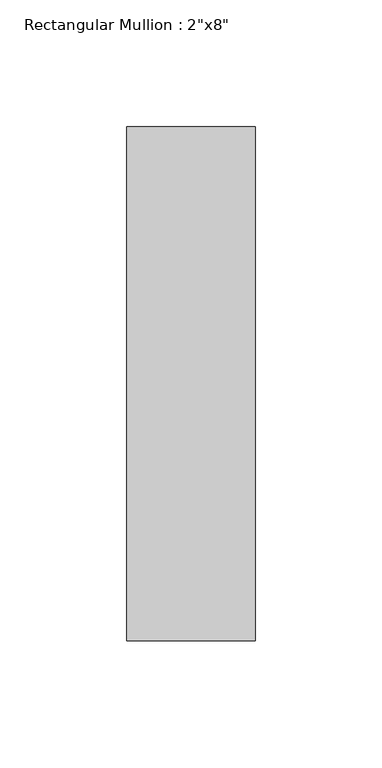
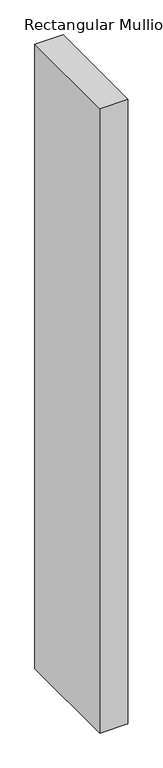
"""IFC4 building model written with IfcOpenShell, lengths in millimetres: member geometry."""

from ifc_helpers import new_model, si_unit, frame, origin, place, context, project, spatial, polyline, outline, extrude, source, transform, mapped, element, save


def member_c64fba01(model_context):
    return source(origin(), model_context, "Body", "SweptSolid", [
        extrude(outline(polyline([(0.0, 101.6), (0.0, -101.6), (-50.8, -101.6), (-50.8, 101.6), (0.0, 101.6)])), frame((0.0, 0.0, -1193.8), z_axis=(0.0, 0.0, 1.0), x_axis=(1.0, 0.0, 0.0)), (0.0, 0.0, 1.0), 1193.8),
    ])


if __name__ == "__main__":
    model = new_model("IFC4")
    model_context = context("Model", 3, world=origin())
    ifc_project = project(units=[si_unit("LENGTHUNIT", "METRE", prefix="MILLI")], contexts=[model_context])
    site = spatial("IfcSite", under=ifc_project)
    building = spatial("IfcBuilding", under=site)
    placement = place(None, origin())
    member_shape = member_c64fba01(model_context)
    element("IfcMember", 1, ObjectType="Rectangular Mullion : 2\"x8\"", at=placement, inside=building, context=model_context, shape_type="MappedRepresentation", body=[
        mapped(member_shape, transform((0.0, 0.0, 0.0), x_axis=(1.0, 0.0, 0.0), y_axis=(0.0, 1.0, 0.0), z_axis=(0.0, 0.0, 1.0))),
    ])
    save(model, "model.ifc")
